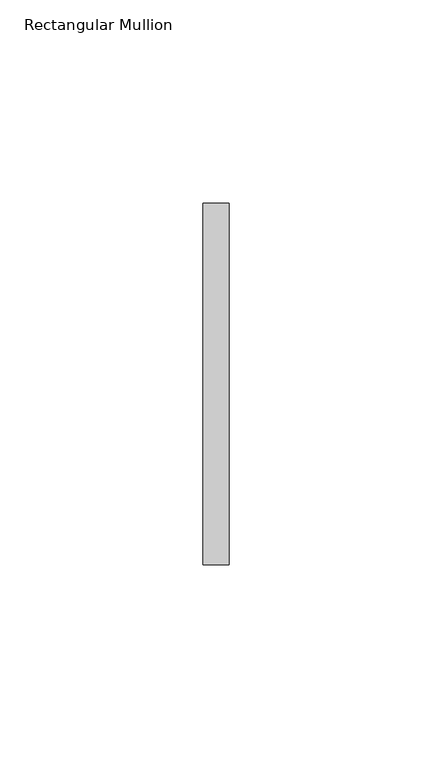
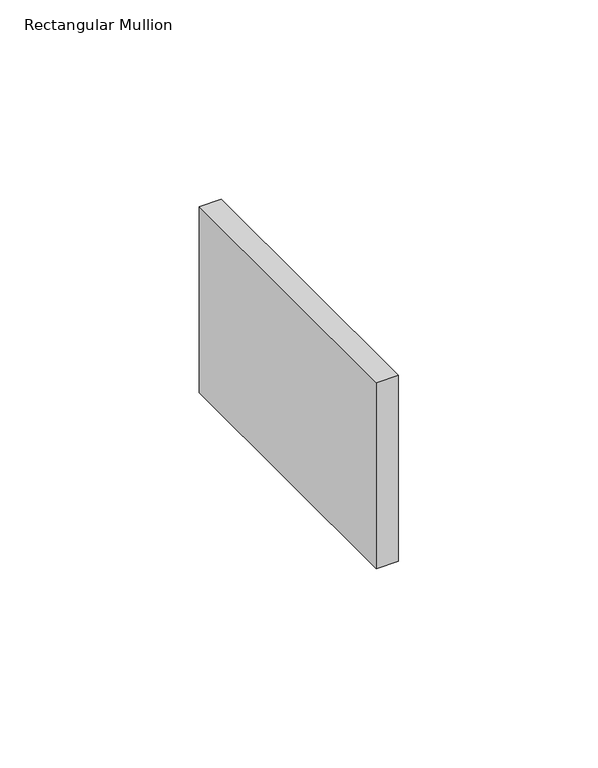
"""IFC4 building model written with IfcOpenShell, lengths in millimetres: member geometry, Rectangular Mullion."""

from ifc_helpers import new_model, si_unit, frame, origin, place, context, project, spatial, polyline, outline, extrude, source, transform, mapped, element, save


def rectangular_mullion_de445d33(model_context):
    return source(origin(), model_context, "Body", "SweptSolid", [
        extrude(outline(polyline([(0.0, 44.45), (0.0, -44.45), (-6.35, -44.45), (-6.35, 44.45), (0.0, 44.45)])), frame((0.0, 0.0, -57.0), z_axis=(0.0, 0.0, 1.0), x_axis=(1.0, 0.0, 0.0)), (0.0, 0.0, 1.0), 57.0),
    ])


if __name__ == "__main__":
    model = new_model("IFC4")
    model_context = context("Model", 3, world=origin())
    ifc_project = project(units=[si_unit("LENGTHUNIT", "METRE", prefix="MILLI")], contexts=[model_context])
    site = spatial("IfcSite", under=ifc_project)
    building = spatial("IfcBuilding", under=site)
    placement = place(None, origin())
    rectangular_mullion_shape = rectangular_mullion_de445d33(model_context)
    element("IfcMember", 1, ObjectType="Rectangular Mullion", at=placement, inside=building, context=model_context, shape_type="MappedRepresentation", body=[
        mapped(rectangular_mullion_shape, transform((0.0, 0.0, 0.0), x_axis=(1.0, 0.0, 0.0), y_axis=(0.0, 1.0, 0.0), z_axis=(0.0, 0.0, 1.0))),
    ])
    save(model, "model.ifc")
